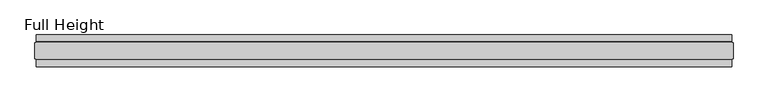
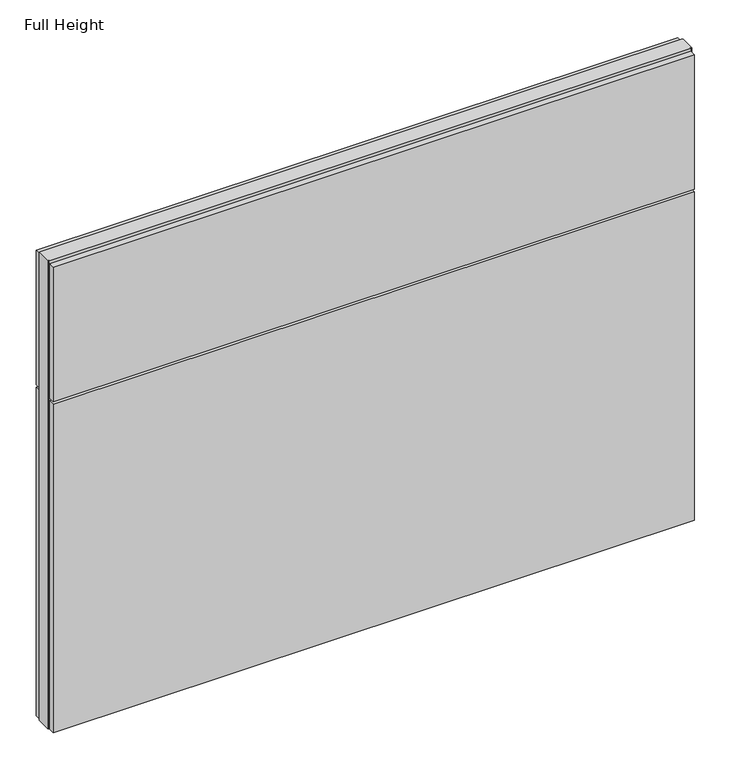
"""IFC4 building model written with IfcOpenShell, lengths in millimetres: plate geometry, Full Height."""

from ifc_helpers import new_model, si_unit, frame, origin, origin_with_axes, place, context, project, spatial, polyline, outline, extrude, source, transform, mapped, element, save


def full_height_3dc1521a(model_context):
    return source(origin(), model_context, "Body", "SweptSolid", [
        extrude(outline(polyline([(1087.628, 28.956), (-1087.628, 28.956), (-1087.628, 49.53), (1087.628, 49.53), (1087.628, 28.956)])), frame((0.0, 0.0, 1187.196), z_axis=(0.0, 0.0, 1.0), x_axis=(1.0, 0.0, 0.0)), (0.0, 0.0, 1.0), 482.6),
        extrude(outline(polyline([(1087.628, 28.956), (-1087.628, 28.956), (-1087.628, 49.53), (1087.628, 49.53), (1087.628, 28.956)])), origin_with_axes(), (0.0, 0.0, 1.0), 1178.052),
        extrude(outline(polyline([(1087.628, -28.956), (1087.628, -49.53), (-1087.628, -49.53), (-1087.628, -28.956), (1087.628, -28.956)])), frame((0.0, 0.0, 1187.196), z_axis=(0.0, 0.0, 1.0), x_axis=(1.0, 0.0, 0.0)), (0.0, 0.0, 1.0), 482.6),
        extrude(outline(polyline([(1087.628, -28.956), (1087.628, -49.53), (-1087.628, -49.53), (-1087.628, -28.956), (1087.628, -28.956)])), origin_with_axes(), (0.0, 0.0, 1.0), 1178.052),
        extrude(outline(polyline([(1087.628, -25.146), (1087.628, -26.67), (-1087.628, -26.67), (-1087.628, -25.146), (-1092.2, -25.146), (-1092.2, 25.146), (-1087.628, 25.146), (-1087.628, 26.67), (1087.628, 26.67), (1087.628, 25.146), (1092.2, 25.146), (1092.2, -25.146), (1087.628, -25.146)])), origin_with_axes(), (0.0, 0.0, 1.0), 1678.94),
    ])


if __name__ == "__main__":
    model = new_model("IFC4")
    model_context = context("Model", 3, world=origin())
    ifc_project = project(units=[si_unit("LENGTHUNIT", "METRE", prefix="MILLI")], contexts=[model_context])
    site = spatial("IfcSite", under=ifc_project)
    building = spatial("IfcBuilding", under=site)
    placement = place(None, origin())
    full_height_shape = full_height_3dc1521a(model_context)
    element("IfcPlate", 1, ObjectType="Full Height", at=placement, inside=building, context=model_context, shape_type="MappedRepresentation", body=[
        mapped(full_height_shape, transform((0.0, 0.0, 0.0), x_axis=(1.0, 0.0, 0.0), y_axis=(0.0, 1.0, 0.0), z_axis=(0.0, 0.0, 1.0))),
    ])
    save(model, "model.ifc")
